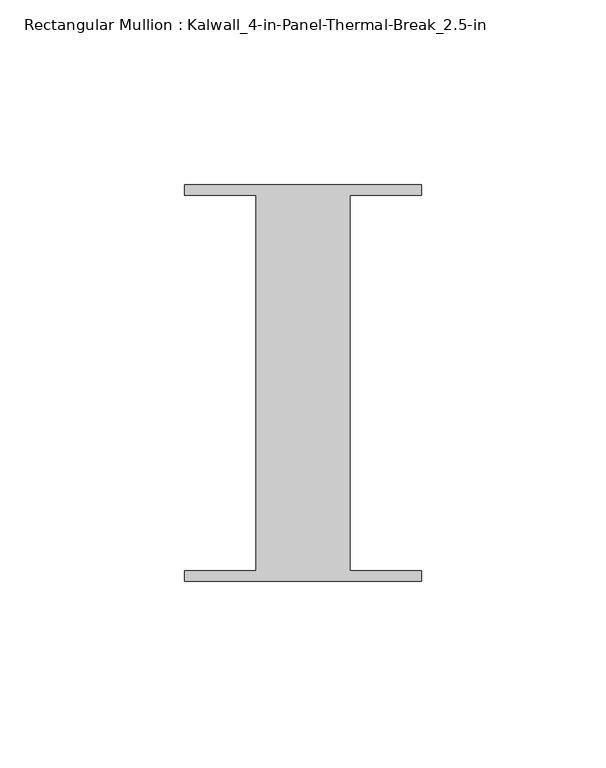
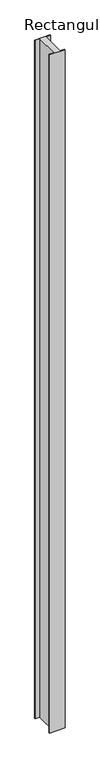
"""IFC4 building model written with IfcOpenShell, lengths in millimetres: member geometry, Rectangular Mullion : Kalwall_4-in-Panel-Thermal-Break_2.5-in."""

from ifc_helpers import new_model, si_unit, frame, origin, place, context, project, spatial, polyline, outline, extrude, source, transform, mapped, element, save


def rectangular_mullion_kalwall_4_in_panel_thermal_break_2_5_in_d4620bb1(model_context):
    return source(origin(), model_context, "Body", "SweptSolid", [
        extrude(outline(polyline([(-32.0, 53.594), (32.0, 53.594), (32.0, 50.8), (12.7, 50.8), (12.7, -50.8), (32.0, -50.8), (32.0, -53.594), (-32.0, -53.594), (-32.0, -50.8), (-12.7, -50.8), (-12.7, 50.8), (-32.0, 50.8), (-32.0, 53.594)])), frame((0.0, 0.0, -2971.8), z_axis=(0.0, 0.0, 1.0), x_axis=(1.0, 0.0, 0.0)), (0.0, 0.0, 1.0), 2971.8),
    ])


if __name__ == "__main__":
    model = new_model("IFC4")
    model_context = context("Model", 3, world=origin())
    ifc_project = project(units=[si_unit("LENGTHUNIT", "METRE", prefix="MILLI")], contexts=[model_context])
    site = spatial("IfcSite", under=ifc_project)
    building = spatial("IfcBuilding", under=site)
    placement = place(None, origin())
    rectangular_mullion_kalwall_4_in_panel_thermal_break_2_5_in_shape = rectangular_mullion_kalwall_4_in_panel_thermal_break_2_5_in_d4620bb1(model_context)
    element("IfcMember", 1, ObjectType="Rectangular Mullion : Kalwall_4-in-Panel-Thermal-Break_2.5-in", at=placement, inside=building, context=model_context, shape_type="MappedRepresentation", body=[
        mapped(rectangular_mullion_kalwall_4_in_panel_thermal_break_2_5_in_shape, transform((0.0, 0.0, 0.0), x_axis=(1.0, 0.0, 0.0), y_axis=(0.0, 1.0, 0.0), z_axis=(0.0, 0.0, 1.0))),
    ])
    save(model, "model.ifc")
